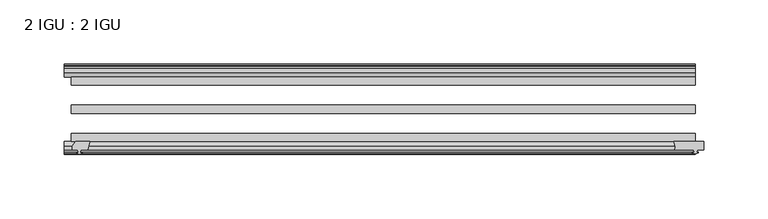
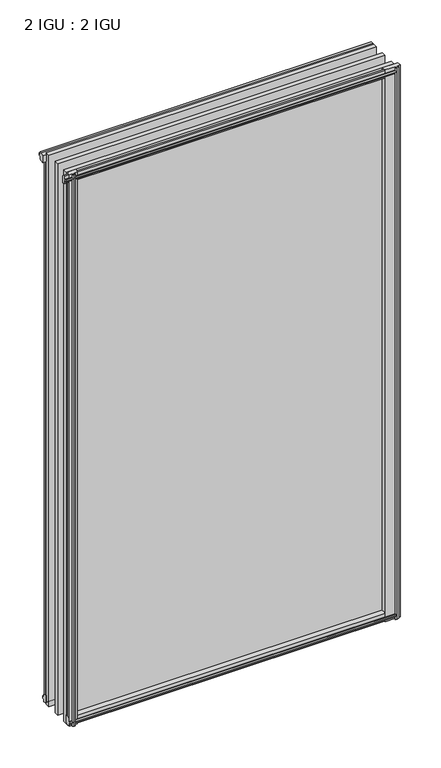
"""IFC4 building model written with IfcOpenShell, lengths in millimetres: plate geometry, 2 IGU : 2 IGU."""

from ifc_helpers import new_model, si_unit, point, frame, frame_2d, origin, origin_with_axes, place, context, project, spatial, polyline, circle_curve, trimmed, segment, composite_curve, outline, extrude, source, transform, mapped, element, save


def plate_2_igu_2_igu_d8ff2bbd(model_context):
    return source(origin(), model_context, "Body", "SweptSolid", [
        extrude(outline(polyline([(-226.2642377, -69.9960936), (-227.9819558, -76.3460936), (-233.1889558, -76.3460936), (-233.5699558, -78.7262905), (-232.1544267, -78.2663573), (-232.1544267, -79.0675715), (-234.3319558, -79.7750936), (-236.5094848, -79.0675715), (-236.5094848, -78.2663573), (-235.0939558, -78.7262905), (-235.4749558, -76.3460936), (-239.9199558, -76.3460936), (-239.9199558, -73.3996936), (-237.0856136, -69.9960936), (-226.2642377, -69.9960936)])), frame((0.0, 0.0, -12.303125), z_axis=(0.0, 0.0, 1.0), x_axis=(1.0, 0.0, 0.0)), (0.0, 0.0, 1.0), 862.961825),
        extrude(outline(polyline([(232.6751267, -10.4746158), (234.8526558, -9.7670937), (237.0301848, -10.4746158), (237.0301848, -11.27583), (235.6146558, -10.8158968), (235.9956558, -13.1960937), (240.4406558, -13.1960937), (240.4406558, -16.1424937), (237.6063136, -19.5460937), (226.7849377, -19.5460937), (228.5026558, -13.1960937), (233.7096558, -13.1960937), (234.0906558, -10.8158968), (232.6751267, -11.27583), (232.6751267, -10.4746158)])), origin_with_axes(), (0.0, 0.0, 1.0), 838.2),
        extrude(outline(composite_curve([segment(polyline([(226.9982271, -69.9960936), (250.2069558, -69.9960936), (250.2069558, -76.3460936), (245.1269558, -76.3460936), (244.8094558, -78.4506955), (246.0280617, -78.124171), (246.2318558, -78.884741), (243.8569558, -79.5210936), (241.4820558, -78.884741), (241.6858499, -78.124171), (242.9044558, -78.4506955), (242.5869558, -76.3460936), (227.9819558, -76.3460936)]), True, "CONTINUOUS"), segment(trimmed(circle_curve(frame_2d((215.6408301, -75.0067563)), 12.4135896), [point((227.9819558, -76.3460936))], [point((226.9982271, -69.9960936))], True, "CARTESIAN"), True, "CONTINUOUS")], self_intersect=False)), frame((0.0, 0.0, -12.4587), z_axis=(0.0, 0.0, 1.0), x_axis=(1.0, 0.0, 0.0)), (0.0, 0.0, 1.0), 863.1174),
        extrude(outline(polyline([(-19.5460937, 1.5938931), (-13.1960937, -0.123825), (-13.1960937, -5.330825), (-10.8158968, -5.711825), (-11.27583, -4.2962959), (-10.4746158, -4.2962959), (-9.7670937, -6.473825), (-10.4746158, -8.6513541), (-11.27583, -8.6513541), (-10.8158968, -7.235825), (-13.1960937, -7.616825), (-13.1960937, -12.061825), (-16.1424937, -12.061825), (-19.5460937, -9.2274828), (-19.5460937, 1.5938931)])), frame((-240.6819558, 0.0, 0.0), z_axis=(1.0, 0.0, 0.0), x_axis=(0.0, 1.0, 0.0)), (0.0, 0.0, 1.0), 484.5389115),
        extrude(outline(polyline([(-69.9960936, 2.1145931), (-69.9960936, -8.7067828), (-73.3996936, -11.541125), (-76.3460936, -11.541125), (-76.3460936, -7.096125), (-78.7262905, -6.715125), (-78.2663573, -8.1306541), (-79.0675715, -8.1306541), (-79.7750936, -5.953125), (-79.0675715, -3.7755959), (-78.2663573, -3.7755959), (-78.7262905, -5.191125), (-76.3460936, -4.810125), (-76.3460936, 0.396875), (-69.9960936, 2.1145931)])), frame((-240.6819558, 0.0, 0.0), z_axis=(1.0, 0.0, 0.0), x_axis=(0.0, 1.0, 0.0)), (0.0, 0.0, 1.0), 484.5389115),
        extrude(outline(polyline([(-10.8158968, 845.8327), (-11.27583, 847.2482291), (-10.4746158, 847.2482291), (-9.7670937, 845.0707), (-10.4746158, 842.8931709), (-11.27583, 842.8931709), (-10.8158968, 844.3087), (-13.1960937, 843.9277), (-13.1960937, 838.7207), (-19.5460937, 837.0029819), (-19.5460937, 847.8243578), (-16.1424937, 850.6587), (-13.1960937, 850.6587), (-13.1960937, 846.2137), (-10.8158968, 845.8327)])), frame((-246.0280617, 0.0, 0.0), z_axis=(1.0, 0.0, 0.0), x_axis=(0.0, 1.0, 0.0)), (0.0, 0.0, 1.0), 489.8850174),
        extrude(outline(polyline([(-76.3460936, 850.138), (-73.3996936, 850.138), (-69.9960936, 847.3036578), (-69.9960936, 836.4822819), (-76.3460936, 838.2), (-76.3460936, 843.407), (-78.7262905, 843.788), (-78.2663573, 842.3724709), (-79.0675715, 842.3724709), (-79.7750936, 844.55), (-79.0675715, 846.7275291), (-78.2663573, 846.7275291), (-78.7262905, 845.312), (-76.3460936, 845.693), (-76.3460936, 850.138)])), frame((-246.0280617, 0.0, 0.0), z_axis=(1.0, 0.0, 0.0), x_axis=(0.0, 1.0, 0.0)), (0.0, 0.0, 1.0), 489.8850174),
        extrude(outline(polyline([(-234.8526558, -9.7670937), (-232.6751267, -10.4746158), (-232.6751267, -11.27583), (-234.0906558, -10.8158968), (-233.7096558, -13.1960937), (-228.5026558, -13.1960937), (-226.7849377, -19.5460937), (-237.6063136, -19.5460937), (-240.4406558, -16.1424937), (-240.4406558, -13.1960937), (-235.9956558, -13.1960937), (-235.6146558, -10.8158968), (-237.0301848, -11.27583), (-237.0301848, -10.4746158), (-234.8526558, -9.7670937)])), origin_with_axes(), (0.0, 0.0, 1.0), 838.2),
        extrude(outline(polyline([(243.8569558, -19.5460937), (243.8569558, -25.8960937), (-240.6819558, -25.8960937), (-240.6819558, -19.5460937), (243.8569558, -19.5460937)])), frame((0.0, 0.0, -12.303125), z_axis=(0.0, 0.0, 1.0), x_axis=(1.0, 0.0, 0.0)), (0.0, 0.0, 1.0), 863.203125),
        extrude(outline(polyline([(-240.6819558, -41.5960937), (243.8569558, -41.5960937), (243.8569558, -47.9460937), (-240.6819558, -47.9460937), (-240.6819558, -41.5960937)])), frame((0.0, 0.0, -12.303125), z_axis=(0.0, 0.0, 1.0), x_axis=(1.0, 0.0, 0.0)), (0.0, 0.0, 1.0), 863.203125),
        extrude(outline(polyline([(243.8569558, -63.6460936), (243.8569558, -69.9960936), (-240.6819558, -69.9960936), (-240.6819558, -63.6460936), (243.8569558, -63.6460936)])), frame((0.0, 0.0, -12.303125), z_axis=(0.0, 0.0, 1.0), x_axis=(1.0, 0.0, 0.0)), (0.0, 0.0, 1.0), 863.203125),
    ])


if __name__ == "__main__":
    model = new_model("IFC4")
    model_context = context("Model", 3, world=origin())
    ifc_project = project(units=[si_unit("LENGTHUNIT", "METRE", prefix="MILLI")], contexts=[model_context])
    site = spatial("IfcSite", under=ifc_project)
    building = spatial("IfcBuilding", under=site)
    placement = place(None, origin())
    plate_2_igu_2_igu_shape = plate_2_igu_2_igu_d8ff2bbd(model_context)
    element("IfcPlate", 1, ObjectType="2 IGU : 2 IGU", at=placement, inside=building, context=model_context, shape_type="MappedRepresentation", body=[
        mapped(plate_2_igu_2_igu_shape, transform((0.0, 0.0, 0.0), x_axis=(1.0, 0.0, 0.0), y_axis=(0.0, 1.0, 0.0), z_axis=(0.0, 0.0, 1.0))),
    ])
    save(model, "model.ifc")
